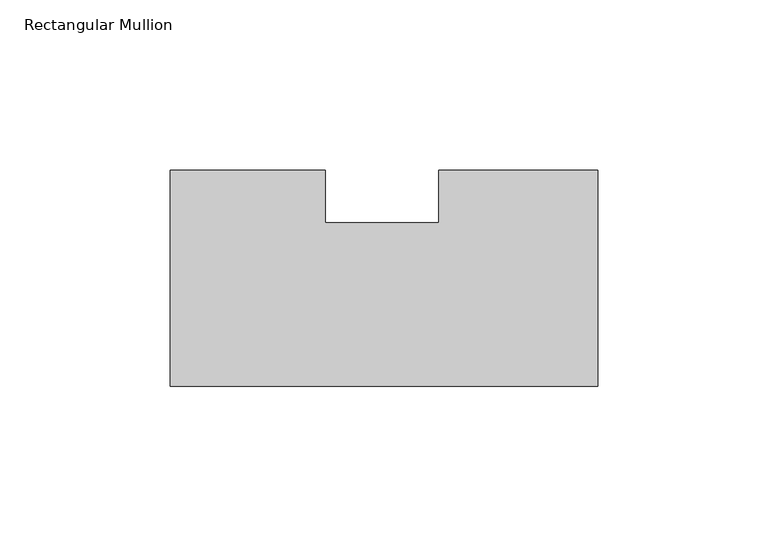
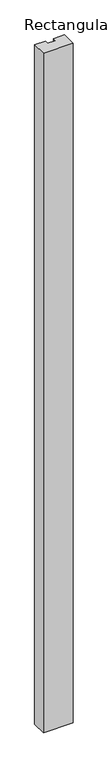
"""IFC4 building model written with IfcOpenShell, lengths in millimetres: member geometry, Rectangular Mullion."""

from ifc_helpers import new_model, si_unit, frame, origin, place, context, project, spatial, polyline, outline, extrude, source, transform, mapped, element, save


def rectangular_mullion_d08da38e(model_context):
    return source(origin(), model_context, "Body", "SweptSolid", [
        extrude(outline(polyline([(-46.8515955, 16.256), (-46.8515955, 31.75), (0.0, 31.75), (0.0, -31.75), (-125.7808, -31.75), (-125.7808, 31.75), (-80.2091346, 31.75), (-80.2091346, 16.256), (-46.8515955, 16.256)])), frame((0.0, 0.0, -3048.0), z_axis=(0.0, 0.0, 1.0), x_axis=(1.0, 0.0, 0.0)), (0.0, 0.0, 1.0), 3048.0),
    ])


if __name__ == "__main__":
    model = new_model("IFC4")
    model_context = context("Model", 3, world=origin())
    ifc_project = project(units=[si_unit("LENGTHUNIT", "METRE", prefix="MILLI")], contexts=[model_context])
    site = spatial("IfcSite", under=ifc_project)
    building = spatial("IfcBuilding", under=site)
    placement = place(None, origin())
    rectangular_mullion_shape = rectangular_mullion_d08da38e(model_context)
    element("IfcMember", 1, ObjectType="Rectangular Mullion", at=placement, inside=building, context=model_context, shape_type="MappedRepresentation", body=[
        mapped(rectangular_mullion_shape, transform((0.0, 0.0, 0.0), x_axis=(1.0, 0.0, 0.0), y_axis=(0.0, 1.0, 0.0), z_axis=(0.0, 0.0, 1.0))),
    ])
    save(model, "model.ifc")
